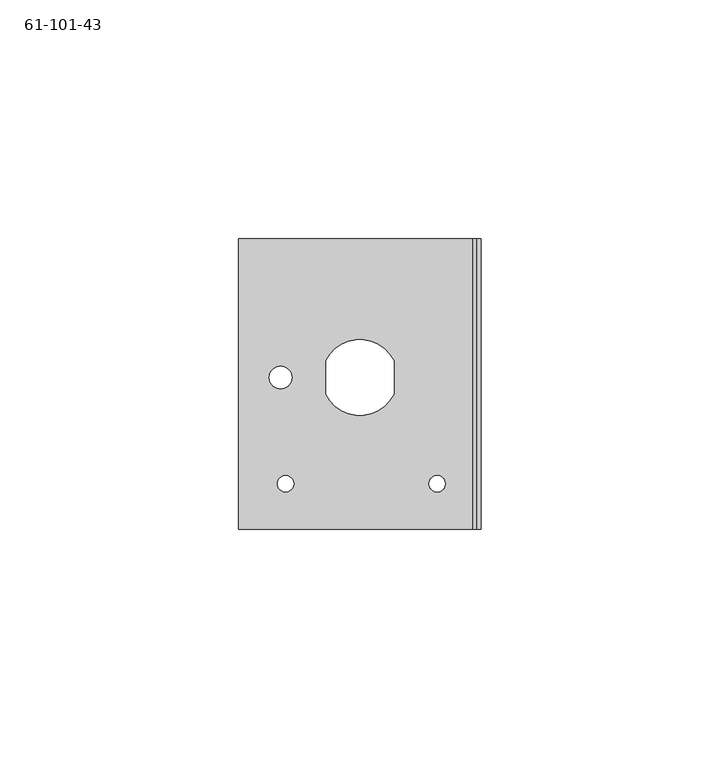
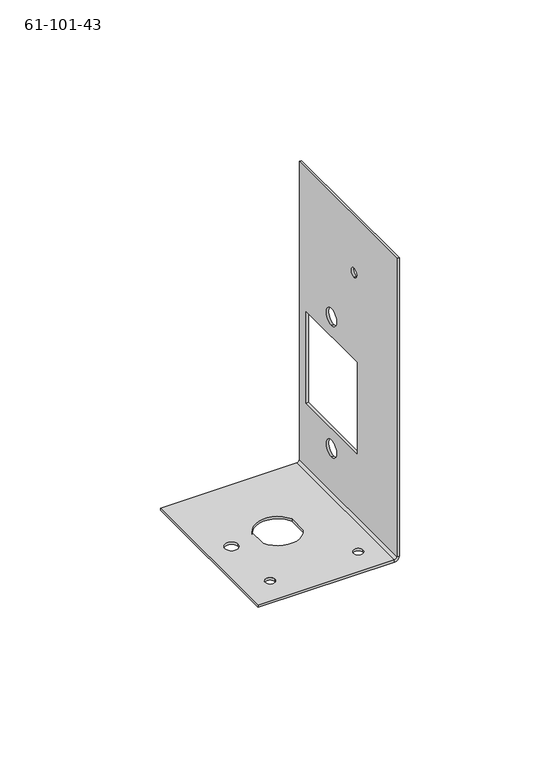
"""IFC4 building model written with IfcOpenShell, lengths in millimetres: proxy geometry, 61-101-43."""

from ifc_helpers import new_model, si_unit, frame, origin, place, context, project, spatial, polyline, circle_curve, source, transform, mapped, element, save
from ifc_brep_helpers import plane_surface, cylinder_surface, revolved_surface, advanced_brep


def proxy_61_101_43_f87369cd(model_context):
    return source(origin(), model_context, "Body", "AdvancedBrep", [
        advanced_brep(
        [(22.3843135, 68.9, 21.3030975), (23.2377535, 68.9, 21.3030975), (23.2377535, 68.9, 14.9530975), (22.3843135, 68.9, 14.9530975), (22.3843135, 68.9, 71.3030975), (23.2377535, 68.9, 71.3030975), (23.2377535, 68.9, 64.9530975), (22.3843135, 68.9, 64.9530975), (-15.9884839, 37.625, 0.85344), (-15.9884839, 37.625, 0.0), (-19.4174839, 37.625, 0.0), (-19.4174839, 37.625, 0.85344), (15.7615161, 37.625, 0.85344), (15.7615161, 37.625, 0.0), (12.3325161, 37.625, 0.0), (12.3325161, 37.625, 0.85344), (-21.152349, 59.85, 0.0), (-21.152349, 59.85, 0.85344), (-16.402549, 59.85, 0.85344), (-16.402549, 59.85, 0.0), (22.3843135, 54.77, 95.27794), (23.2377535, 54.77, 95.27794), (23.2377535, 54.77, 91.84894), (22.3843135, 54.77, 91.84894), (23.2377535, 53.025, 25.7410546), (23.2377535, 84.775, 25.7410546), (22.3843135, 84.775, 25.7410546), (22.3843135, 53.025, 25.7410546), (23.2377535, 84.775, 60.5151405), (22.3843135, 84.775, 60.5151405), (23.2377535, 53.025, 60.5151405), (22.3843135, 53.025, 60.5151405), (23.2377535, 88.9, 1.70688), (23.2377535, 28.1, 1.70688), (21.5308735, 28.1, 0.0), (21.5308735, 88.9, 0.0), (22.3843135, 88.9, 1.70688), (22.3843135, 88.9, 115.15344), (23.2377535, 88.9, 115.15344), (22.3843135, 28.1, 1.70688), (22.3843135, 28.1, 115.15344), (21.5308735, 28.1, 0.85344), (21.5308735, 88.9, 0.85344), (23.2377535, 28.1, 115.15344), (-27.5622465, 88.9, 0.0), (-27.5622465, 88.9, 0.85344), (-27.5622465, 28.1, 0.0), (-9.2742465, 56.325321, 0.0), (4.9497535, 56.325321, 0.0), (4.9497535, 63.374679, 0.0), (-9.2742465, 63.374679, 0.0), (-9.2742465, 56.325321, 0.85344), (4.9497535, 56.325321, 0.85344), (-9.2742465, 63.374679, 0.85344), (4.9497535, 63.374679, 0.85344), (-27.5622465, 28.1, 0.85344)],
        [
            (0, 1),
            (1, 2, circle_curve(frame((23.2377535, 68.9, 18.1280975), z_axis=(1.0, 0.0, 0.0), x_axis=(0.0, 0.0, 1.0)), 3.175)),
            (2, 3),
            (3, 0, circle_curve(frame((22.3843135, 68.9, 18.1280975), z_axis=(-1.0, 0.0, 0.0), x_axis=(0.0, 0.0, 1.0)), 3.175)),
            (4, 5),
            (5, 6, circle_curve(frame((23.2377535, 68.9, 68.1280975), z_axis=(1.0, 0.0, 0.0), x_axis=(0.0, 0.0, 1.0)), 3.175)),
            (6, 7),
            (7, 4, circle_curve(frame((22.3843135, 68.9, 68.1280975), z_axis=(-1.0, 0.0, 0.0), x_axis=(0.0, 0.0, 1.0)), 3.175)),
            (8, 9),
            (9, 10, circle_curve(frame((-17.7029839, 37.625, 0.0), z_axis=(0.0, 0.0, -1.0), x_axis=(1.0, 0.0, 0.0)), 1.7145)),
            (10, 11),
            (11, 8, circle_curve(frame((-17.7029839, 37.625, 0.85344), z_axis=(0.0, 0.0, 1.0), x_axis=(1.0, 0.0, 0.0)), 1.7145)),
            (12, 13),
            (13, 14, circle_curve(frame((14.0470161, 37.625, 0.0), z_axis=(0.0, 0.0, -1.0), x_axis=(1.0, 0.0, 0.0)), 1.7145)),
            (14, 15),
            (15, 12, circle_curve(frame((14.0470161, 37.625, 0.85344), z_axis=(0.0, 0.0, 1.0), x_axis=(1.0, 0.0, 0.0)), 1.7145)),
            (16, 17),
            (17, 18, circle_curve(frame((-18.777449, 59.85, 0.85344), z_axis=(0.0, 0.0, 1.0), x_axis=(-1.0, 0.0, 0.0)), 2.3749)),
            (18, 19),
            (19, 16, circle_curve(frame((-18.777449, 59.85, 0.0), z_axis=(0.0, 0.0, -1.0), x_axis=(-1.0, 0.0, 0.0)), 2.3749)),
            (20, 21),
            (21, 22, circle_curve(frame((23.2377535, 54.77, 93.56344), z_axis=(1.0, 0.0, 0.0), x_axis=(0.0, 0.0, 1.0)), 1.7145)),
            (22, 23),
            (23, 20, circle_curve(frame((22.3843135, 54.77, 93.56344), z_axis=(-1.0, 0.0, 0.0), x_axis=(0.0, 0.0, 1.0)), 1.7145)),
            (20, 23, circle_curve(frame((22.3843135, 54.77, 93.56344), z_axis=(-1.0, 0.0, 0.0), x_axis=(0.0, 0.0, 1.0)), 1.7145)),
            (22, 21, circle_curve(frame((23.2377535, 54.77, 93.56344), z_axis=(1.0, 0.0, 0.0), x_axis=(0.0, 0.0, 1.0)), 1.7145)),
            (16, 19, circle_curve(frame((-18.777449, 59.85, 0.0), z_axis=(0.0, 0.0, -1.0), x_axis=(-1.0, 0.0, 0.0)), 2.3749)),
            (18, 17, circle_curve(frame((-18.777449, 59.85, 0.85344), z_axis=(0.0, 0.0, 1.0), x_axis=(-1.0, 0.0, 0.0)), 2.3749)),
            (12, 15, circle_curve(frame((14.0470161, 37.625, 0.85344), z_axis=(0.0, 0.0, 1.0), x_axis=(1.0, 0.0, 0.0)), 1.7145)),
            (14, 13, circle_curve(frame((14.0470161, 37.625, 0.0), z_axis=(0.0, 0.0, -1.0), x_axis=(1.0, 0.0, 0.0)), 1.7145)),
            (8, 11, circle_curve(frame((-17.7029839, 37.625, 0.85344), z_axis=(0.0, 0.0, 1.0), x_axis=(1.0, 0.0, 0.0)), 1.7145)),
            (10, 9, circle_curve(frame((-17.7029839, 37.625, 0.0), z_axis=(0.0, 0.0, -1.0), x_axis=(1.0, 0.0, 0.0)), 1.7145)),
            (4, 7, circle_curve(frame((22.3843135, 68.9, 68.1280975), z_axis=(-1.0, 0.0, 0.0), x_axis=(0.0, 0.0, 1.0)), 3.175)),
            (6, 5, circle_curve(frame((23.2377535, 68.9, 68.1280975), z_axis=(1.0, 0.0, 0.0), x_axis=(0.0, 0.0, 1.0)), 3.175)),
            (0, 3, circle_curve(frame((22.3843135, 68.9, 18.1280975), z_axis=(-1.0, 0.0, 0.0), x_axis=(0.0, 0.0, 1.0)), 3.175)),
            (2, 1, circle_curve(frame((23.2377535, 68.9, 18.1280975), z_axis=(1.0, 0.0, 0.0), x_axis=(0.0, 0.0, 1.0)), 3.175)),
            (24, 25),
            (25, 26),
            (26, 27),
            (27, 24),
            (25, 28),
            (28, 29),
            (29, 26),
            (28, 30),
            (30, 31),
            (31, 29),
            (30, 24),
            (27, 31),
            (32, 33),
            (33, 34, circle_curve(frame((21.5308735, 28.1, 1.70688), z_axis=(0.0, 1.0, 0.0), x_axis=(0.0, 0.0, -1.0)), 1.70688)),
            (34, 35),
            (35, 32, circle_curve(frame((21.5308735, 88.9, 1.70688), z_axis=(0.0, -1.0, 0.0), x_axis=(0.0, 0.0, -1.0)), 1.70688)),
            (32, 36),
            (36, 37),
            (37, 38),
            (38, 32),
            (36, 39),
            (39, 40),
            (40, 37),
            (33, 39),
            (39, 41, circle_curve(frame((21.5308735, 28.1, 1.70688), z_axis=(0.0, 1.0, 0.0), x_axis=(0.0, 0.0, -1.0)), 0.85344)),
            (41, 34),
            (35, 42),
            (42, 36, circle_curve(frame((21.5308735, 88.9, 1.70688), z_axis=(0.0, -1.0, 0.0), x_axis=(0.0, 0.0, -1.0)), 0.85344)),
            (33, 43),
            (43, 40),
            (43, 38),
            (42, 41),
            (35, 44),
            (44, 45),
            (45, 42),
            (34, 46),
            (46, 44),
            (47, 48, circle_curve(frame((-2.1622465, 59.85, 0.0), z_axis=(0.0, 0.0, 1.0), x_axis=(0.8960000000000002, -0.44405405076409266, 0.0)), 7.9375)),
            (48, 49),
            (49, 50, circle_curve(frame((-2.1622465, 59.85, 0.0), z_axis=(0.0, 0.0, 1.0), x_axis=(-0.8960000000000002, 0.44405405076409266, 0.0)), 7.9375)),
            (50, 47),
            (47, 51),
            (51, 52, circle_curve(frame((-2.1622465, 59.85, 0.85344), z_axis=(0.0, 0.0, 1.0), x_axis=(0.8960000000000002, -0.44405405076409266, 0.0)), 7.9375)),
            (52, 48),
            (50, 53),
            (53, 51),
            (49, 54),
            (54, 53, circle_curve(frame((-2.1622465, 59.85, 0.85344), z_axis=(0.0, 0.0, 1.0), x_axis=(-0.8960000000000002, 0.44405405076409266, 0.0)), 7.9375)),
            (52, 54),
            (55, 45),
            (46, 55),
            (41, 55),
        ],
        [
            revolved_surface(polyline([(22.3843135, 68.9, 21.3030975), (23.2377535, 68.9, 21.3030975)]), (23.2377535, 68.9, 18.1280975), (-1.0, 0.0, 0.0)),
            revolved_surface(polyline([(22.3843135, 68.9, 71.30309749999999), (23.2377535, 68.9, 71.30309749999999)]), (23.2377535, 68.9, 68.1280975), (-1.0, 0.0, 0.0)),
            revolved_surface(polyline([(-15.9884839, 37.625, 0.85344), (-15.9884839, 37.625, 0.0)]), (-17.7029839, 37.625, 0.0), (0.0, 0.0, 1.0)),
            revolved_surface(polyline([(15.7615161, 37.625, 0.85344), (15.7615161, 37.625, 0.0)]), (14.0470161, 37.625, 0.0), (0.0, 0.0, 1.0)),
            revolved_surface(polyline([(-21.152349, 59.85, 0.0), (-21.152349, 59.85, 0.85344)]), (-18.777449, 59.85, 0.85344), (0.0, 0.0, -1.0)),
            revolved_surface(polyline([(22.3843135, 54.77, 95.27794), (23.2377535, 54.77, 95.27794)]), (23.2377535, 54.77, 93.56344), (-1.0, 0.0, 0.0)),
            plane_surface(frame((23.2377535, 84.775, 25.7410546), z_axis=(0.0, 0.0, 1.0), x_axis=(0.0, -1.0, 0.0))),
            plane_surface(frame((23.2377535, 84.775, 73.2151405), z_axis=(0.0, -1.0, 0.0), x_axis=(0.0, 0.0, -1.0))),
            plane_surface(frame((23.2377535, 53.025, 60.5151405), z_axis=(0.0, 0.0, -1.0), x_axis=(0.0, 1.0, 0.0))),
            plane_surface(frame((23.2377535, 53.025, 38.4410546), z_axis=(0.0, 1.0, 0.0), x_axis=(0.0, 0.0, 1.0))),
            cylinder_surface(frame((21.5308735, 58.5, 1.70688), z_axis=(0.0, -1.0, 0.0), x_axis=(0.0, 0.0, -1.0)), 1.70688),
            plane_surface(frame((22.3843135, 88.9, 1.70688), z_axis=(0.0, 1.0, 0.0), x_axis=(-1.0, 0.0, 0.0))),
            plane_surface(frame((22.3843135, 58.5, 57.9729421), z_axis=(-1.0, 0.0, 0.0), x_axis=(0.0, 0.0, 1.0))),
            plane_surface(frame((22.3843135, 28.1, 1.70688), z_axis=(0.0, -1.0, 0.0), x_axis=(0.0, 0.0, -1.0))),
            plane_surface(frame((23.2377535, 88.9, 1.70688), z_axis=(0.0, 1.0, 0.0), x_axis=(0.0, 0.0, 1.0))),
            plane_surface(frame((22.3843135, 28.1, 1.70688), z_axis=(0.0, -1.0, 0.0), x_axis=(1.0, 0.0, 0.0))),
            plane_surface(frame((22.3843135, 28.1, 115.15344), z_axis=(0.0, 0.0, 1.0), x_axis=(1.0, 0.0, 0.0))),
            plane_surface(frame((23.2377535, 58.5, 57.9729421), z_axis=(1.0, 0.0, 0.0), x_axis=(0.0, 0.0, 1.0))),
            revolved_surface(polyline([(21.5308735, 28.1, 0.85344), (21.5308735, 88.9, 0.85344)]), (21.5308735, 58.5, 1.70688), (0.0, -1.0, 0.0)),
            plane_surface(frame((-27.5622465, 88.9, 0.0), z_axis=(0.0, 1.0, 0.0), x_axis=(0.0, 0.0, 1.0))),
            plane_surface(frame((-2.1622465, 58.5, 0.0), z_axis=(0.0, 0.0, -1.0), x_axis=(1.0, 0.0, 0.0))),
            revolved_surface(polyline([(4.949753500000002, 56.32532097206001, 0.8534399999999995), (4.949753500000002, 56.32532097206001, 0.0)]), (-2.1622465, 59.85, 0.0), (0.0, 0.0, 0.9999999999999998)),
            plane_surface(frame((-9.2742465, 63.374679, 0.0), z_axis=(1.0, 0.0, 0.0), x_axis=(0.0, -1.0, 0.0))),
            revolved_surface(polyline([(-9.274246500000002, 63.37467902793999, 0.8534399999999995), (-9.274246500000002, 63.37467902793999, 0.0)]), (-2.1622465, 59.85, 0.0), (0.0, 0.0, 0.9999999999999998)),
            plane_surface(frame((4.9497535, 56.325321, 0.0), z_axis=(-1.0, 0.0, 0.0), x_axis=(0.0, 1.0, 0.0))),
            plane_surface(frame((-27.5622465, 28.1, 0.0), z_axis=(-1.0, 0.0, 0.0), x_axis=(0.0, 0.0, 1.0))),
            plane_surface(frame((23.2377535, 28.1, 0.0), z_axis=(0.0, -1.0, 0.0), x_axis=(0.0, 0.0, -1.0))),
            plane_surface(frame((-2.1622465, 58.5, 0.85344), z_axis=(0.0, 0.0, 1.0), x_axis=(1.0, 0.0, 0.0))),
        ],
        [
            (0, [[1, 2, 3, 4]]),
            (1, [[5, 6, 7, 8]]),
            (2, [[9, 10, 11, 12]]),
            (3, [[13, 14, 15, 16]]),
            (4, [[17, 18, 19, 20]]),
            (5, [[21, 22, 23, 24]]),
            (5, [[-21, 25, -23, 26]]),
            (4, [[-17, 27, -19, 28]]),
            (3, [[-13, 29, -15, 30]]),
            (2, [[-9, 31, -11, 32]]),
            (1, [[-5, 33, -7, 34]]),
            (0, [[-1, 35, -3, 36]]),
            (6, [[37, 38, 39, 40]]),
            (7, [[41, 42, 43, -38]]),
            (8, [[44, 45, 46, -42]]),
            (9, [[47, -40, 48, -45]]),
            (10, [[49, 50, 51, 52]]),
            (11, [[53, 54, 55, 56]]),
            (12, [[57, 58, 59, -54], [-25, -24], [-33, -8], [-35, -4], [-39, -43, -46, -48]]),
            (13, [[60, 61, 62, -50]]),
            (14, [[-53, -52, 63, 64]]),
            (15, [[-60, 65, 66, -58]]),
            (16, [[67, -55, -59, -66]]),
            (17, [[-49, -56, -67, -65], [-2, -36], [-6, -34], [-22, -26], [-37, -47, -44, -41]]),
            (18, [[-57, -64, 68, -61]]),
            (19, [[-63, 69, 70, 71]]),
            (20, [[-51, 72, 73, -69], [-10, -32], [-14, -30], [-27, -20], [74, 75, 76, 77]]),
            (21, [[-74, 78, 79, 80]]),
            (22, [[-77, 81, 82, -78]]),
            (23, [[-76, 83, 84, -81]]),
            (24, [[-75, -80, 85, -83]]),
            (25, [[86, -70, -73, 87]]),
            (26, [[-62, 88, -87, -72]]),
            (27, [[-68, -71, -86, -88], [-18, -28], [-29, -16], [-31, -12], [-79, -82, -84, -85]]),
        ],
    ),
    ])


if __name__ == "__main__":
    model = new_model("IFC4")
    model_context = context("Model", 3, world=origin())
    ifc_project = project(units=[si_unit("LENGTHUNIT", "METRE", prefix="MILLI")], contexts=[model_context])
    site = spatial("IfcSite", under=ifc_project)
    building = spatial("IfcBuilding", under=site)
    placement = place(None, origin())
    proxy_61_101_43_shape = proxy_61_101_43_f87369cd(model_context)
    element("IfcBuildingElementProxy", 1, Name="61-101-43", ObjectType="61-101-43", at=placement, inside=building, context=model_context, shape_type="MappedRepresentation", body=[
        mapped(proxy_61_101_43_shape, transform((0.0, 0.0, 0.0), x_axis=(1.0, 0.0, 0.0), y_axis=(0.0, 1.0, 0.0), z_axis=(0.0, 0.0, 1.0))),
    ])
    save(model, "model.ifc")
